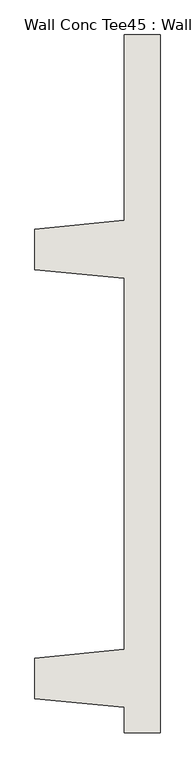
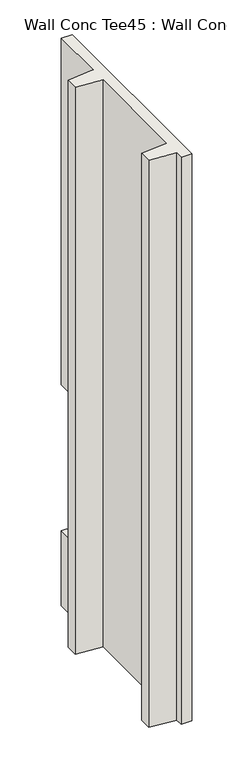
"""IFC4 building model written with IfcOpenShell, lengths in millimetres: wall geometry, Wall Conc Tee45 : Wall Conc Tee."""

from ifc_helpers import new_model, si_unit, origin, place, context, project, spatial, faceted_brep, source, transform, mapped, element, save


def wall_conc_tee45_wall_conc_tee_d999a64c(model_context):
    return source(origin(), model_context, "Body", "Brep", [
        faceted_brep([(204051.6728488, 158837.7150204, 5884.1592564), (204051.6728488, 160820.8596581, 5884.1592564), (203950.0728488, 160820.8596581, 5884.1592564), (203950.0728488, 160293.8096581, 5884.1592564), (203696.0728488, 160268.4096581, 5884.1592564), (203696.0728488, 160154.1096581, 5884.1592564), (203950.0728488, 160128.7096581, 5884.1592564), (203950.0728488, 159074.6096581, 5884.1592564), (203696.0728488, 159049.2096581, 5884.1592564), (203696.0728488, 158934.9096581, 5884.1592564), (203950.0728488, 158909.5096581, 5884.1592564), (203950.0728488, 158837.7150204, 5884.1592564), (204051.6728488, 158837.7150204, 143.7592564), (203950.0728488, 158837.7150204, 143.7592564), (203950.0728488, 158909.5096581, 143.7592564), (203696.0728488, 158934.9096581, 143.7592564), (203696.0728488, 159049.2096581, 143.7592564), (203950.0728488, 159074.6096581, 143.7592564), (203950.0728488, 160128.7096581, 143.7592564), (203696.0728488, 160154.1096581, 143.7592564), (203696.0728488, 160268.4096581, 143.7592564), (203950.0728488, 160293.8096581, 143.7592564), (203950.0728488, 160820.8596581, 143.7592564), (204051.6728488, 160820.8596581, 143.7592564), (204051.6728488, 160820.8596581, 899.4092564), (204051.6728488, 160363.6596581, 899.4092564), (204051.6728488, 160363.6596581, 2378.9592564), (204051.6728488, 160820.8596581, 2378.9592564), (203950.0728488, 160820.8596581, 2378.9592564), (203950.0728488, 160820.8596581, 899.4092564), (203950.0728488, 160363.6596581, 2378.9592564), (203950.0728488, 160363.6596581, 899.4092564)], [[[0, 1, 2, 3, 4, 5, 6, 7, 8, 9, 10, 11]], [[12, 13, 14, 15, 16, 17, 18, 19, 20, 21, 22, 23]], [[1, 0, 12, 23, 24, 25, 26, 27]], [[2, 1, 27, 28]], [[23, 22, 29, 24]], [[3, 2, 28, 30, 31, 29, 22, 21]], [[4, 3, 21, 20]], [[5, 4, 20, 19]], [[6, 5, 19, 18]], [[7, 6, 18, 17]], [[8, 7, 17, 16]], [[9, 8, 16, 15]], [[10, 9, 15, 14]], [[11, 10, 14, 13]], [[0, 11, 13, 12]], [[26, 30, 28, 27]], [[31, 25, 24, 29]], [[30, 26, 25, 31]]]),
    ])


if __name__ == "__main__":
    model = new_model("IFC4")
    model_context = context("Model", 3, world=origin())
    ifc_project = project(units=[si_unit("LENGTHUNIT", "METRE", prefix="MILLI")], contexts=[model_context])
    site = spatial("IfcSite", under=ifc_project)
    building = spatial("IfcBuilding", under=site)
    placement = place(None, origin())
    wall_conc_tee45_wall_conc_tee_shape = wall_conc_tee45_wall_conc_tee_d999a64c(model_context)
    element("IfcWall", 1, ObjectType="Wall Conc Tee45 : Wall Conc Tee", at=placement, inside=building, context=model_context, shape_type="MappedRepresentation", body=[
        mapped(wall_conc_tee45_wall_conc_tee_shape, transform((0.0, 0.0, 0.0), x_axis=(1.0, 0.0, 0.0), y_axis=(0.0, 1.0, 0.0), z_axis=(0.0, 0.0, 1.0))),
    ])
    save(model, "model.ifc")
